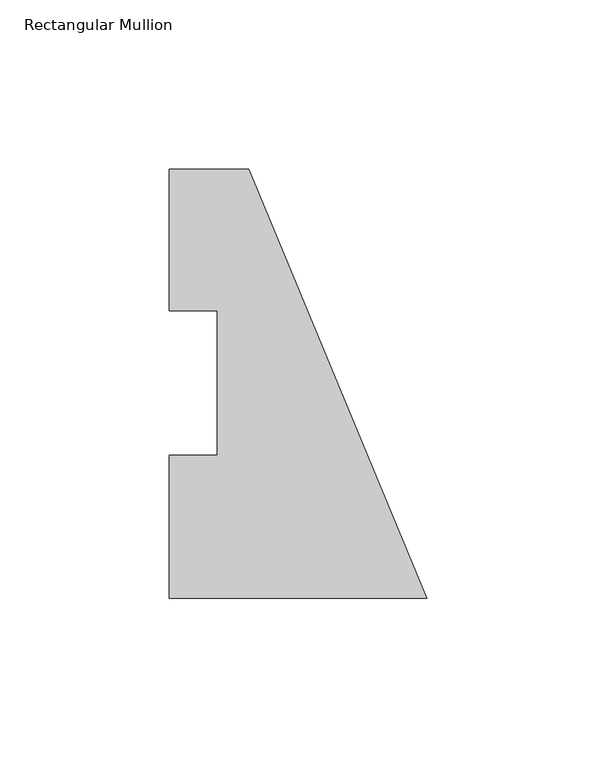
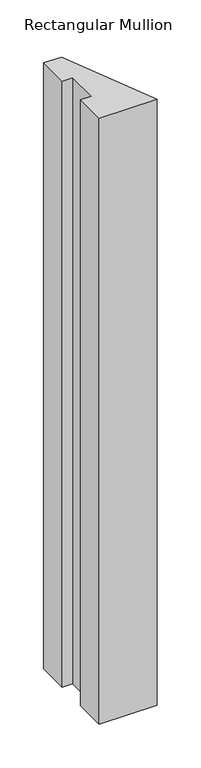
"""IFC4 building model written with IfcOpenShell, lengths in millimetres: member geometry, Rectangular Mullion."""

from ifc_helpers import new_model, si_unit, frame, origin, place, context, project, spatial, polyline, outline, extrude, source, transform, mapped, element, save


def rectangular_mullion_2626670d(model_context):
    return source(origin(), model_context, "Body", "SweptSolid", [
        extrude(outline(polyline([(-76.2, 85.1296875), (-76.2, 126.9705908), (-52.6051224, 126.9705908), (0.0, -0.0294092), (-76.2, -0.0294092), (-76.2, 42.2798875), (-61.91504, 42.2798875), (-61.91504, 85.1296875), (-76.2, 85.1296875)])), frame((0.0, 0.0, -844.3102709), z_axis=(0.0, 0.0, 1.0), x_axis=(1.0, 0.0, 0.0)), (0.0, 0.0, 1.0), 844.3102709),
    ])


if __name__ == "__main__":
    model = new_model("IFC4")
    model_context = context("Model", 3, world=origin())
    ifc_project = project(units=[si_unit("LENGTHUNIT", "METRE", prefix="MILLI")], contexts=[model_context])
    site = spatial("IfcSite", under=ifc_project)
    building = spatial("IfcBuilding", under=site)
    placement = place(None, origin())
    rectangular_mullion_shape = rectangular_mullion_2626670d(model_context)
    element("IfcMember", 1, ObjectType="Rectangular Mullion", at=placement, inside=building, context=model_context, shape_type="MappedRepresentation", body=[
        mapped(rectangular_mullion_shape, transform((0.0, 0.0, 0.0), x_axis=(1.0, 0.0, 0.0), y_axis=(0.0, 1.0, 0.0), z_axis=(0.0, 0.0, 1.0))),
    ])
    save(model, "model.ifc")
